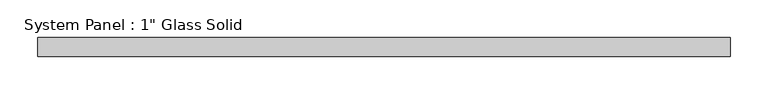
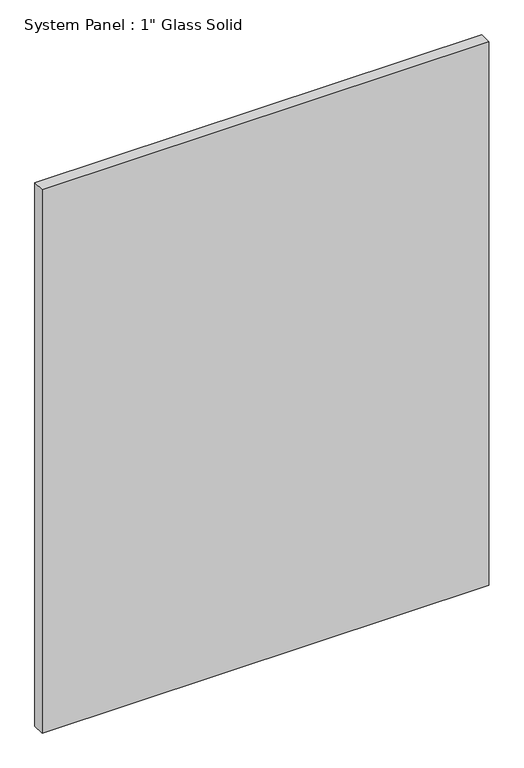
"""IFC4 building model written with IfcOpenShell, lengths in millimetres: plate geometry."""

from ifc_helpers import new_model, si_unit, origin, origin_with_axes, place, context, project, spatial, polyline, outline, extrude, source, transform, mapped, element, save


def plate_4f19c739(model_context):
    return source(origin(), model_context, "Body", "SweptSolid", [
        extrude(outline(polyline([(461.9633852, -12.7), (-461.9633852, -12.7), (-461.9633852, 12.7), (461.9633852, 12.7), (461.9633852, -12.7)])), origin_with_axes(), (0.0, 0.0, 1.0), 1187.4517704),
    ])


if __name__ == "__main__":
    model = new_model("IFC4")
    model_context = context("Model", 3, world=origin())
    ifc_project = project(units=[si_unit("LENGTHUNIT", "METRE", prefix="MILLI")], contexts=[model_context])
    site = spatial("IfcSite", under=ifc_project)
    building = spatial("IfcBuilding", under=site)
    placement = place(None, origin())
    plate_shape = plate_4f19c739(model_context)
    element("IfcPlate", 1, ObjectType="System Panel : 1\" Glass Solid", at=placement, inside=building, context=model_context, shape_type="MappedRepresentation", body=[
        mapped(plate_shape, transform((0.0, 0.0, 0.0), x_axis=(1.0, 0.0, 0.0), y_axis=(0.0, 1.0, 0.0), z_axis=(0.0, 0.0, 1.0))),
    ])
    save(model, "model.ifc")
